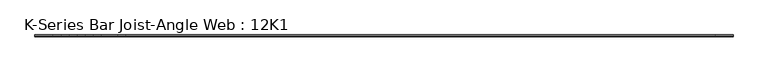
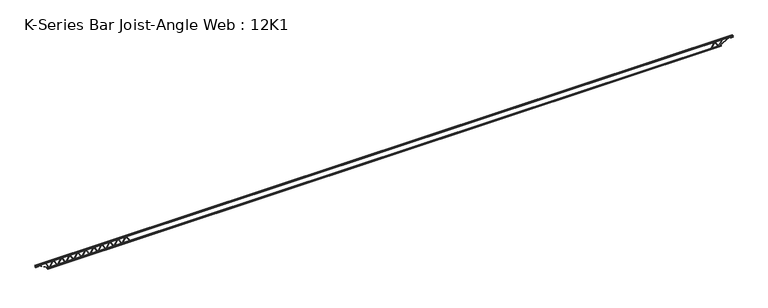
"""IFC4 building model written with IfcOpenShell, lengths in millimetres: beam geometry, K-Series Bar Joist-Angle Web : 12K1."""

from ifc_helpers import new_model, si_unit, frame, origin, place, context, project, spatial, polyline, outline, extrude, faceted_brep, source, transform, mapped, element, save


def k_series_bar_joist_angle_web_12k1_92af80a1(model_context):
    return source(origin(), model_context, "Body", "SolidModel", [
        extrude(outline(polyline([(-4.7625, 4.7624999), (-4.7625, 0.0), (-17.4625, 0.0), (-17.4625, 4.7624999), (-4.7625, 4.7624999)])), frame((-11079.3218203, 0.0, -114.3), z_axis=(-0.5031057189221613, 0.0, 0.8642248755895744), x_axis=(0.0, -1.0, 0.0)), (0.0, 0.0, 1.0), 264.5144874),
        extrude(outline(polyline([(-149.225, -11047.1638554), (-130.175, -11047.1638554), (-130.175, -11048.0373664), (149.225, -11210.6891736), (149.225, -11228.8656627), (130.175, -11228.8656627), (130.175, -11221.6421517), (-149.225, -11058.9903444), (-149.225, -11047.1638554)])), frame((0.0, 0.0, 0.0), z_axis=(0.0, 1.0, 0.0), x_axis=(0.0, 0.0, 1.0)), (0.0, 0.0, 1.0), 4.7625),
        faceted_brep([(-11397.8674699, 0.0, -130.175), (-11397.8674699, 0.0, -149.225), (-11397.8674699, -4.7625, -149.225), (-11397.8674699, -4.7625, -130.175), (-11396.9939589, 0.0, -130.175), (-11234.3421517, 0.0, 149.225), (-11216.1656627, 0.0, 149.225), (-11216.1656627, 0.0, 130.175), (-11223.3891736, 0.0, 130.175), (-11386.0409809, 0.0, -149.225), (-11386.0409809, -4.7625, -149.225), (-11365.709505, -4.7625, -114.3), (-11369.8253759, -4.7625, -111.903959), (-11236.7466246, -4.7625, 116.696041), (-11232.6307536, -4.7625, 114.3), (-11223.3891736, -4.7625, 130.175), (-11216.1656627, -4.7625, 130.175), (-11216.1656627, -4.7625, 149.225), (-11234.3421517, -4.7625, 149.225), (-11396.9939589, -4.7625, -130.175), (-11232.6307536, -17.4625, 114.3), (-11365.709505, -17.4625, -114.3), (-11369.8253759, -17.4625, -111.903959), (-11236.7466246, -17.4625, 116.696041)], [[[0, 1, 2, 3]], [[1, 0, 4, 5, 6, 7, 8, 9]], [[2, 1, 9, 10]], [[3, 2, 10, 11, 12, 13, 14, 15, 16, 17, 18, 19]], [[0, 3, 19, 4]], [[9, 8, 15, 14, 20, 21, 11, 10]], [[5, 4, 19, 18]], [[7, 6, 17, 16]], [[8, 7, 16, 15]], [[6, 5, 18, 17]], [[21, 22, 12, 11]], [[20, 14, 13, 23]], [[22, 21, 20, 23]], [[12, 22, 23, 13]]]),
        extrude(outline(polyline([(-4.7625, 4.7625), (-4.7625, 0.0), (-17.4625, 0.0), (-17.4625, 4.7625), (-4.7625, 4.7625)])), frame((-11430.0254348, 0.0, -114.3), z_axis=(-0.5031057189221613, 0.0, 0.8642248755895744), x_axis=(0.0, -1.0, 0.0)), (0.0, 0.0, 1.0), 264.5144874),
        extrude(outline(polyline([(-149.225, -11397.8674699), (-130.175, -11397.8674699), (-130.175, -11398.7409809), (149.225, -11561.3927881), (149.225, -11579.5692771), (130.175, -11579.5692771), (130.175, -11572.3457661), (-149.225, -11409.6939589), (-149.225, -11397.8674699)])), frame((0.0, 0.0, 0.0), z_axis=(0.0, 1.0, 0.0), x_axis=(0.0, 0.0, 1.0)), (0.0, 0.0, 1.0), 4.7625),
        faceted_brep([(-11748.5710843, 0.0, -130.175), (-11748.5710843, 0.0, -149.225), (-11748.5710843, -4.7625, -149.225), (-11748.5710843, -4.7625, -130.175), (-11747.6975733, 0.0, -130.175), (-11585.0457661, 0.0, 149.225), (-11566.8692771, 0.0, 149.225), (-11566.8692771, 0.0, 130.175), (-11574.0927881, 0.0, 130.175), (-11736.7445953, 0.0, -149.225), (-11736.7445953, -4.7625, -149.225), (-11716.4131194, -4.7625, -114.3), (-11720.5289904, -4.7625, -111.903959), (-11587.450239, -4.7625, 116.696041), (-11583.3343681, -4.7625, 114.3), (-11574.0927881, -4.7625, 130.175), (-11566.8692771, -4.7625, 130.175), (-11566.8692771, -4.7625, 149.225), (-11585.0457661, -4.7625, 149.225), (-11747.6975733, -4.7625, -130.175), (-11583.3343681, -17.4625, 114.3), (-11716.4131194, -17.4625, -114.3), (-11720.5289904, -17.4625, -111.903959), (-11587.450239, -17.4625, 116.696041)], [[[0, 1, 2, 3]], [[1, 0, 4, 5, 6, 7, 8, 9]], [[2, 1, 9, 10]], [[3, 2, 10, 11, 12, 13, 14, 15, 16, 17, 18, 19]], [[0, 3, 19, 4]], [[9, 8, 15, 14, 20, 21, 11, 10]], [[5, 4, 19, 18]], [[7, 6, 17, 16]], [[8, 7, 16, 15]], [[6, 5, 18, 17]], [[21, 22, 12, 11]], [[20, 14, 13, 23]], [[22, 21, 20, 23]], [[12, 22, 23, 13]]]),
        extrude(outline(polyline([(-4.7625, 4.7624999), (-4.7625, 0.0), (-17.4625, 0.0), (-17.4625, 4.7624999), (-4.7625, 4.7624999)])), frame((-11780.7290492, 0.0, -114.3), z_axis=(-0.5031057189221613, 0.0, 0.8642248755895744), x_axis=(0.0, -1.0, 0.0)), (0.0, 0.0, 1.0), 264.5144874),
        extrude(outline(polyline([(-149.225, -11748.5710843), (-130.175, -11748.5710843), (-130.175, -11749.4445953), (149.225, -11912.0964026), (149.225, -11930.2728916), (130.175, -11930.2728916), (130.175, -11923.0493806), (-149.225, -11760.3975733), (-149.225, -11748.5710843)])), frame((0.0, 0.0, 0.0), z_axis=(0.0, 1.0, 0.0), x_axis=(0.0, 0.0, 1.0)), (0.0, 0.0, 1.0), 4.7625),
        faceted_brep([(-12099.2746988, 0.0, -130.175), (-12099.2746988, 0.0, -149.225), (-12099.2746988, -4.7625, -149.225), (-12099.2746988, -4.7625, -130.175), (-12098.4011878, 0.0, -130.175), (-11935.7493806, 0.0, 149.225), (-11917.5728916, 0.0, 149.225), (-11917.5728916, 0.0, 130.175), (-11924.7964026, 0.0, 130.175), (-12087.4482098, 0.0, -149.225), (-12087.4482098, -4.7625, -149.225), (-12067.1167339, -4.7625, -114.3), (-12071.2326049, -4.7625, -111.903959), (-11938.1538535, -4.7625, 116.696041), (-11934.0379825, -4.7625, 114.3), (-11924.7964026, -4.7625, 130.175), (-11917.5728916, -4.7625, 130.175), (-11917.5728916, -4.7625, 149.225), (-11935.7493806, -4.7625, 149.225), (-12098.4011878, -4.7625, -130.175), (-11934.0379825, -17.4625, 114.3), (-12067.1167339, -17.4625, -114.3), (-12071.2326049, -17.4625, -111.903959), (-11938.1538535, -17.4625, 116.696041)], [[[0, 1, 2, 3]], [[1, 0, 4, 5, 6, 7, 8, 9]], [[2, 1, 9, 10]], [[3, 2, 10, 11, 12, 13, 14, 15, 16, 17, 18, 19]], [[0, 3, 19, 4]], [[9, 8, 15, 14, 20, 21, 11, 10]], [[5, 4, 19, 18]], [[7, 6, 17, 16]], [[8, 7, 16, 15]], [[6, 5, 18, 17]], [[21, 22, 12, 11]], [[20, 14, 13, 23]], [[22, 21, 20, 23]], [[12, 22, 23, 13]]]),
        extrude(outline(polyline([(-4.7625, 4.7625), (-4.7625, 0.0), (-17.4625, 0.0), (-17.4625, 4.7625), (-4.7625, 4.7625)])), frame((-12131.4326637, 0.0, -114.3), z_axis=(-0.5031057189221613, 0.0, 0.8642248755895744), x_axis=(0.0, -1.0, 0.0)), (0.0, 0.0, 1.0), 264.5144874),
        extrude(outline(polyline([(-149.225, -12099.2746988), (-130.175, -12099.2746988), (-130.175, -12100.1482098), (149.225, -12262.800017), (149.225, -12280.976506), (130.175, -12280.976506), (130.175, -12273.752995), (-149.225, -12111.1011878), (-149.225, -12099.2746988)])), frame((0.0, 0.0, 0.0), z_axis=(0.0, 1.0, 0.0), x_axis=(0.0, 0.0, 1.0)), (0.0, 0.0, 1.0), 4.7625),
        faceted_brep([(-12449.9783133, 0.0, -130.175), (-12449.9783133, 0.0, -149.225), (-12449.9783133, -4.7625, -149.225), (-12449.9783133, -4.7625, -130.175), (-12449.1048023, 0.0, -130.175), (-12286.452995, 0.0, 149.225), (-12268.276506, 0.0, 149.225), (-12268.276506, 0.0, 130.175), (-12275.500017, 0.0, 130.175), (-12438.1518243, 0.0, -149.225), (-12438.1518243, -4.7625, -149.225), (-12417.8203483, -4.7625, -114.3), (-12421.9362193, -4.7625, -111.903959), (-12288.8574679, -4.7625, 116.696041), (-12284.741597, -4.7625, 114.3), (-12275.500017, -4.7625, 130.175), (-12268.276506, -4.7625, 130.175), (-12268.276506, -4.7625, 149.225), (-12286.452995, -4.7625, 149.225), (-12449.1048023, -4.7625, -130.175), (-12284.741597, -17.4625, 114.3), (-12417.8203483, -17.4625, -114.3), (-12421.9362193, -17.4625, -111.903959), (-12288.8574679, -17.4625, 116.696041)], [[[0, 1, 2, 3]], [[1, 0, 4, 5, 6, 7, 8, 9]], [[2, 1, 9, 10]], [[3, 2, 10, 11, 12, 13, 14, 15, 16, 17, 18, 19]], [[0, 3, 19, 4]], [[9, 8, 15, 14, 20, 21, 11, 10]], [[5, 4, 19, 18]], [[7, 6, 17, 16]], [[8, 7, 16, 15]], [[6, 5, 18, 17]], [[21, 22, 12, 11]], [[20, 14, 13, 23]], [[22, 21, 20, 23]], [[12, 22, 23, 13]]]),
        extrude(outline(polyline([(-4.7625, 4.7625), (-4.7625, 0.0), (-17.4625, 0.0), (-17.4625, 4.7625), (-4.7625, 4.7625)])), frame((-12482.1362782, 0.0, -114.3), z_axis=(-0.5031057189221613, 0.0, 0.8642248755895744), x_axis=(0.0, -1.0, 0.0)), (0.0, 0.0, 1.0), 264.5144874),
        extrude(outline(polyline([(-149.225, -12449.9783133), (-130.175, -12449.9783133), (-130.175, -12450.8518243), (149.225, -12613.5036315), (149.225, -12631.6801205), (130.175, -12631.6801205), (130.175, -12624.4566095), (-149.225, -12461.8048023), (-149.225, -12449.9783133)])), frame((0.0, 0.0, 0.0), z_axis=(0.0, 1.0, 0.0), x_axis=(0.0, 0.0, 1.0)), (0.0, 0.0, 1.0), 4.7625),
        faceted_brep([(-12800.6819277, 0.0, -130.175), (-12800.6819277, 0.0, -149.225), (-12800.6819277, -4.7625, -149.225), (-12800.6819277, -4.7625, -130.175), (-12799.8084167, 0.0, -130.175), (-12637.1566095, 0.0, 149.225), (-12618.9801205, 0.0, 149.225), (-12618.9801205, 0.0, 130.175), (-12626.2036315, 0.0, 130.175), (-12788.8554387, 0.0, -149.225), (-12788.8554387, -4.7625, -149.225), (-12768.5239628, -4.7625, -114.3), (-12772.6398338, -4.7625, -111.903959), (-12639.5610824, -4.7625, 116.696041), (-12635.4452114, -4.7625, 114.3), (-12626.2036315, -4.7625, 130.175), (-12618.9801205, -4.7625, 130.175), (-12618.9801205, -4.7625, 149.225), (-12637.1566095, -4.7625, 149.225), (-12799.8084167, -4.7625, -130.175), (-12635.4452114, -17.4625, 114.3), (-12768.5239628, -17.4625, -114.3), (-12772.6398338, -17.4625, -111.903959), (-12639.5610824, -17.4625, 116.696041)], [[[0, 1, 2, 3]], [[1, 0, 4, 5, 6, 7, 8, 9]], [[2, 1, 9, 10]], [[3, 2, 10, 11, 12, 13, 14, 15, 16, 17, 18, 19]], [[0, 3, 19, 4]], [[9, 8, 15, 14, 20, 21, 11, 10]], [[5, 4, 19, 18]], [[7, 6, 17, 16]], [[8, 7, 16, 15]], [[6, 5, 18, 17]], [[21, 22, 12, 11]], [[20, 14, 13, 23]], [[22, 21, 20, 23]], [[12, 22, 23, 13]]]),
        extrude(outline(polyline([(-4.7625, 4.7625), (-4.7625, 0.0), (-17.4625, 0.0), (-17.4625, 4.7625), (-4.7625, 4.7625)])), frame((-12832.8398926, 0.0, -114.3), z_axis=(-0.5031057189221613, 0.0, 0.8642248755895744), x_axis=(0.0, -1.0, 0.0)), (0.0, 0.0, 1.0), 264.5144874),
        extrude(outline(polyline([(-149.225, -12800.6819277), (-130.175, -12800.6819277), (-130.175, -12801.5554387), (149.225, -12964.2072459), (149.225, -12982.3837349), (130.175, -12982.3837349), (130.175, -12975.1602239), (-149.225, -12812.5084167), (-149.225, -12800.6819277)])), frame((0.0, 0.0, 0.0), z_axis=(0.0, 1.0, 0.0), x_axis=(0.0, 0.0, 1.0)), (0.0, 0.0, 1.0), 4.7625),
        faceted_brep([(-13151.3855422, 0.0, -130.175), (-13151.3855422, 0.0, -149.225), (-13151.3855422, -4.7625, -149.225), (-13151.3855422, -4.7625, -130.175), (-13150.5120312, 0.0, -130.175), (-12987.8602239, 0.0, 149.225), (-12969.6837349, 0.0, 149.225), (-12969.6837349, 0.0, 130.175), (-12976.9072459, 0.0, 130.175), (-13139.5590532, 0.0, -149.225), (-13139.5590532, -4.7625, -149.225), (-13119.2275773, -4.7625, -114.3), (-13123.3434482, -4.7625, -111.903959), (-12990.2646969, -4.7625, 116.696041), (-12986.1488259, -4.7625, 114.3), (-12976.9072459, -4.7625, 130.175), (-12969.6837349, -4.7625, 130.175), (-12969.6837349, -4.7625, 149.225), (-12987.8602239, -4.7625, 149.225), (-13150.5120312, -4.7625, -130.175), (-12986.1488259, -17.4625, 114.3), (-13119.2275773, -17.4625, -114.3), (-13123.3434482, -17.4625, -111.903959), (-12990.2646969, -17.4625, 116.696041)], [[[0, 1, 2, 3]], [[1, 0, 4, 5, 6, 7, 8, 9]], [[2, 1, 9, 10]], [[3, 2, 10, 11, 12, 13, 14, 15, 16, 17, 18, 19]], [[0, 3, 19, 4]], [[9, 8, 15, 14, 20, 21, 11, 10]], [[5, 4, 19, 18]], [[7, 6, 17, 16]], [[8, 7, 16, 15]], [[6, 5, 18, 17]], [[21, 22, 12, 11]], [[20, 14, 13, 23]], [[22, 21, 20, 23]], [[12, 22, 23, 13]]]),
        extrude(outline(polyline([(-4.7625, 4.7625), (-4.7625, 0.0), (-17.4625, 0.0), (-17.4625, 4.7625), (-4.7625, 4.7625)])), frame((-13183.5435071, 0.0, -114.3), z_axis=(-0.5031057189221613, 0.0, 0.8642248755895744), x_axis=(0.0, -1.0, 0.0)), (0.0, 0.0, 1.0), 264.5144874),
        extrude(outline(polyline([(-149.225, -13151.3855422), (-130.175, -13151.3855422), (-130.175, -13152.2590532), (149.225, -13314.9108604), (149.225, -13333.0873494), (130.175, -13333.0873494), (130.175, -13325.8638384), (-149.225, -13163.2120312), (-149.225, -13151.3855422)])), frame((0.0, 0.0, 0.0), z_axis=(0.0, 1.0, 0.0), x_axis=(0.0, 0.0, 1.0)), (0.0, 0.0, 1.0), 4.7625),
        faceted_brep([(-13502.0891566, 0.0, -130.175), (-13502.0891566, 0.0, -149.225), (-13502.0891566, -4.7625, -149.225), (-13502.0891566, -4.7625, -130.175), (-13501.2156456, 0.0, -130.175), (-13338.5638384, 0.0, 149.225), (-13320.3873494, 0.0, 149.225), (-13320.3873494, 0.0, 130.175), (-13327.6108604, 0.0, 130.175), (-13490.2626676, 0.0, -149.225), (-13490.2626676, -4.7625, -149.225), (-13469.9311917, -4.7625, -114.3), (-13474.0470627, -4.7625, -111.903959), (-13340.9683113, -4.7625, 116.696041), (-13336.8524404, -4.7625, 114.3), (-13327.6108604, -4.7625, 130.175), (-13320.3873494, -4.7625, 130.175), (-13320.3873494, -4.7625, 149.225), (-13338.5638384, -4.7625, 149.225), (-13501.2156456, -4.7625, -130.175), (-13336.8524404, -17.4625, 114.3), (-13469.9311917, -17.4625, -114.3), (-13474.0470627, -17.4625, -111.903959), (-13340.9683113, -17.4625, 116.696041)], [[[0, 1, 2, 3]], [[1, 0, 4, 5, 6, 7, 8, 9]], [[2, 1, 9, 10]], [[3, 2, 10, 11, 12, 13, 14, 15, 16, 17, 18, 19]], [[0, 3, 19, 4]], [[9, 8, 15, 14, 20, 21, 11, 10]], [[5, 4, 19, 18]], [[7, 6, 17, 16]], [[8, 7, 16, 15]], [[6, 5, 18, 17]], [[21, 22, 12, 11]], [[20, 14, 13, 23]], [[22, 21, 20, 23]], [[12, 22, 23, 13]]]),
        extrude(outline(polyline([(-4.7625, 4.7624999), (-4.7625, 0.0), (-17.4625, 0.0), (-17.4625, 4.7624999), (-4.7625, 4.7624999)])), frame((-13534.2471215, 0.0, -114.3), z_axis=(-0.5031057189221613, 0.0, 0.8642248755895744), x_axis=(0.0, -1.0, 0.0)), (0.0, 0.0, 1.0), 264.5144874),
        extrude(outline(polyline([(-149.225, -13502.0891566), (-130.175, -13502.0891566), (-130.175, -13502.9626676), (149.225, -13665.6144749), (149.225, -13683.7909639), (130.175, -13683.7909639), (130.175, -13676.5674529), (-149.225, -13513.9156456), (-149.225, -13502.0891566)])), frame((0.0, 0.0, 0.0), z_axis=(0.0, 1.0, 0.0), x_axis=(0.0, 0.0, 1.0)), (0.0, 0.0, 1.0), 4.7625),
        faceted_brep([(-13852.7927711, 0.0, -130.175), (-13852.7927711, 0.0, -149.225), (-13852.7927711, -4.7625, -149.225), (-13852.7927711, -4.7625, -130.175), (-13851.9192601, 0.0, -130.175), (-13689.2674529, 0.0, 149.225), (-13671.0909639, 0.0, 149.225), (-13671.0909639, 0.0, 130.175), (-13678.3144749, 0.0, 130.175), (-13840.9662821, 0.0, -149.225), (-13840.9662821, -4.7625, -149.225), (-13820.6348062, -4.7625, -114.3), (-13824.7506771, -4.7625, -111.903959), (-13691.6719258, -4.7625, 116.696041), (-13687.5560548, -4.7625, 114.3), (-13678.3144749, -4.7625, 130.175), (-13671.0909639, -4.7625, 130.175), (-13671.0909639, -4.7625, 149.225), (-13689.2674529, -4.7625, 149.225), (-13851.9192601, -4.7625, -130.175), (-13687.5560548, -17.4625, 114.3), (-13820.6348062, -17.4625, -114.3), (-13824.7506771, -17.4625, -111.903959), (-13691.6719258, -17.4625, 116.696041)], [[[0, 1, 2, 3]], [[1, 0, 4, 5, 6, 7, 8, 9]], [[2, 1, 9, 10]], [[3, 2, 10, 11, 12, 13, 14, 15, 16, 17, 18, 19]], [[0, 3, 19, 4]], [[9, 8, 15, 14, 20, 21, 11, 10]], [[5, 4, 19, 18]], [[7, 6, 17, 16]], [[8, 7, 16, 15]], [[6, 5, 18, 17]], [[21, 22, 12, 11]], [[20, 14, 13, 23]], [[22, 21, 20, 23]], [[12, 22, 23, 13]]]),
        extrude(outline(polyline([(-4.7625, 4.7625), (-4.7625, 0.0), (-17.4625, 0.0), (-17.4625, 4.7625), (-4.7625, 4.7625)])), frame((-13884.950736, 0.0, -114.3), z_axis=(-0.5031057189221613, 0.0, 0.8642248755895744), x_axis=(0.0, -1.0, 0.0)), (0.0, 0.0, 1.0), 264.5144874),
        extrude(outline(polyline([(-149.225, -13852.7927711), (-130.175, -13852.7927711), (-130.175, -13853.6662821), (149.225, -14016.3180893), (149.225, -14034.4945783), (130.175, -14034.4945783), (130.175, -14027.2710673), (-149.225, -13864.6192601), (-149.225, -13852.7927711)])), frame((0.0, 0.0, 0.0), z_axis=(0.0, 1.0, 0.0), x_axis=(0.0, 0.0, 1.0)), (0.0, 0.0, 1.0), 4.7625),
        faceted_brep([(-14203.4963855, 0.0, -130.175), (-14203.4963855, 0.0, -149.225), (-14203.4963855, -4.7625, -149.225), (-14203.4963855, -4.7625, -130.175), (-14202.6228745, 0.0, -130.175), (-14039.9710673, 0.0, 149.225), (-14021.7945783, 0.0, 149.225), (-14021.7945783, 0.0, 130.175), (-14029.0180893, 0.0, 130.175), (-14191.6698965, 0.0, -149.225), (-14191.6698965, -4.7625, -149.225), (-14171.3384206, -4.7625, -114.3), (-14175.4542916, -4.7625, -111.903959), (-14042.3755402, -4.7625, 116.696041), (-14038.2596693, -4.7625, 114.3), (-14029.0180893, -4.7625, 130.175), (-14021.7945783, -4.7625, 130.175), (-14021.7945783, -4.7625, 149.225), (-14039.9710673, -4.7625, 149.225), (-14202.6228745, -4.7625, -130.175), (-14038.2596693, -17.4625, 114.3), (-14171.3384206, -17.4625, -114.3), (-14175.4542916, -17.4625, -111.903959), (-14042.3755402, -17.4625, 116.696041)], [[[0, 1, 2, 3]], [[1, 0, 4, 5, 6, 7, 8, 9]], [[2, 1, 9, 10]], [[3, 2, 10, 11, 12, 13, 14, 15, 16, 17, 18, 19]], [[0, 3, 19, 4]], [[9, 8, 15, 14, 20, 21, 11, 10]], [[5, 4, 19, 18]], [[7, 6, 17, 16]], [[8, 7, 16, 15]], [[6, 5, 18, 17]], [[21, 22, 12, 11]], [[20, 14, 13, 23]], [[22, 21, 20, 23]], [[12, 22, 23, 13]]]),
        extrude(outline(polyline([(-4.7625, 4.7625), (-4.7625, 0.0), (-17.4625, 0.0), (-17.4625, 4.7625), (-4.7625, 4.7625)])), frame((14522.0420351, 0.0, -114.3), z_axis=(-0.5031057189221613, 0.0, 0.8642248755895744), x_axis=(0.0, -1.0, 0.0)), (0.0, 0.0, 1.0), 264.5144874),
        extrude(outline(polyline([(-149.225, 14554.2), (-130.175, 14554.2), (-130.175, 14553.326489), (149.225, 14390.6746818), (149.225, 14372.4981928), (130.175, 14372.4981928), (130.175, 14379.7217038), (-149.225, 14542.373511), (-149.225, 14554.2)])), frame((0.0, 0.0, 0.0), z_axis=(0.0, 1.0, 0.0), x_axis=(0.0, 0.0, 1.0)), (0.0, 0.0, 1.0), 4.7625),
        faceted_brep([(14203.4963855, 0.0, -130.175), (14203.4963855, 0.0, -149.225), (14203.4963855, -4.7625, -149.225), (14203.4963855, -4.7625, -130.175), (14204.3698965, 0.0, -130.175), (14367.0217038, 0.0, 149.225), (14385.1981928, 0.0, 149.225), (14385.1981928, 0.0, 130.175), (14377.9746818, 0.0, 130.175), (14215.3228745, 0.0, -149.225), (14215.3228745, -4.7625, -149.225), (14235.6543504, -4.7625, -114.3), (14231.5384795, -4.7625, -111.903959), (14364.6172308, -4.7625, 116.696041), (14368.7331018, -4.7625, 114.3), (14377.9746818, -4.7625, 130.175), (14385.1981928, -4.7625, 130.175), (14385.1981928, -4.7625, 149.225), (14367.0217038, -4.7625, 149.225), (14204.3698965, -4.7625, -130.175), (14368.7331018, -17.4625, 114.3), (14235.6543504, -17.4625, -114.3), (14231.5384795, -17.4625, -111.903959), (14364.6172308, -17.4625, 116.696041)], [[[0, 1, 2, 3]], [[1, 0, 4, 5, 6, 7, 8, 9]], [[2, 1, 9, 10]], [[3, 2, 10, 11, 12, 13, 14, 15, 16, 17, 18, 19]], [[0, 3, 19, 4]], [[9, 8, 15, 14, 20, 21, 11, 10]], [[5, 4, 19, 18]], [[7, 6, 17, 16]], [[8, 7, 16, 15]], [[6, 5, 18, 17]], [[21, 22, 12, 11]], [[20, 14, 13, 23]], [[22, 21, 20, 23]], [[12, 22, 23, 13]]]),
        extrude(outline(polyline([(-4.7625, 4.7624999), (-4.7625, 0.0), (-17.4625, 0.0), (-17.4625, 4.7624999), (-4.7625, 4.7624999)])), frame((-14235.6543504, 0.0, -114.3), z_axis=(-0.5031057189221613, 0.0, 0.8642248755895744), x_axis=(0.0, -1.0, 0.0)), (0.0, 0.0, 1.0), 264.5144874),
        extrude(outline(polyline([(-149.225, -14203.4963855), (-130.175, -14203.4963855), (-130.175, -14204.3698965), (149.225, -14367.0217038), (149.225, -14385.1981928), (130.175, -14385.1981928), (130.175, -14377.9746818), (-149.225, -14215.3228745), (-149.225, -14203.4963855)])), frame((0.0, 0.0, 0.0), z_axis=(0.0, 1.0, 0.0), x_axis=(0.0, 0.0, 1.0)), (0.0, 0.0, 1.0), 4.7625),
        faceted_brep([(-14554.2, 0.0, -130.175), (-14554.2, 0.0, -149.225), (-14554.2, -4.7625, -149.225), (-14554.2, -4.7625, -130.175), (-14553.326489, 0.0, -130.175), (-14390.6746818, 0.0, 149.225), (-14372.4981928, 0.0, 149.225), (-14372.4981928, 0.0, 130.175), (-14379.7217038, 0.0, 130.175), (-14542.373511, 0.0, -149.225), (-14542.373511, -4.7625, -149.225), (-14522.0420351, -4.7625, -114.3), (-14526.1579061, -4.7625, -111.903959), (-14393.0791547, -4.7625, 116.696041), (-14388.9632837, -4.7625, 114.3), (-14379.7217038, -4.7625, 130.175), (-14372.4981928, -4.7625, 130.175), (-14372.4981928, -4.7625, 149.225), (-14390.6746818, -4.7625, 149.225), (-14553.326489, -4.7625, -130.175), (-14388.9632837, -17.4625, 114.3), (-14522.0420351, -17.4625, -114.3), (-14526.1579061, -17.4625, -111.903959), (-14393.0791547, -17.4625, 116.696041)], [[[0, 1, 2, 3]], [[1, 0, 4, 5, 6, 7, 8, 9]], [[2, 1, 9, 10]], [[3, 2, 10, 11, 12, 13, 14, 15, 16, 17, 18, 19]], [[0, 3, 19, 4]], [[9, 8, 15, 14, 20, 21, 11, 10]], [[5, 4, 19, 18]], [[7, 6, 17, 16]], [[8, 7, 16, 15]], [[6, 5, 18, 17]], [[21, 22, 12, 11]], [[20, 14, 13, 23]], [[22, 21, 20, 23]], [[12, 22, 23, 13]]]),
        extrude(outline(polyline([(4.7625, 152.4), (36.5125, 152.4), (36.5125, 146.05), (11.1125, 146.05), (11.1125, 120.65), (4.7625, 120.65), (4.7625, 152.4)])), frame((-15163.8, 0.0, 0.0), z_axis=(1.0, 0.0, 0.0), x_axis=(0.0, 1.0, 0.0)), (0.0, 0.0, 1.0), 30327.6),
        extrude(outline(polyline([(-4.7625, 152.4), (-4.7625, 120.65), (-11.1125, 120.65), (-11.1125, 146.05), (-36.5125, 146.05), (-36.5125, 152.4), (-4.7625, 152.4)])), frame((-15163.8, 0.0, 0.0), z_axis=(1.0, 0.0, 0.0), x_axis=(0.0, 1.0, 0.0)), (0.0, 0.0, 1.0), 30327.6),
        extrude(outline(polyline([(-4.7625, 88.9), (-36.5125, 88.9), (-36.5125, 95.25), (-11.1125, 95.25), (-11.1125, 120.65), (-4.7625, 120.65), (-4.7625, 88.9)])), frame((-15163.8, 0.0, 0.0), z_axis=(1.0, 0.0, 0.0), x_axis=(0.0, 1.0, 0.0)), (0.0, 0.0, 1.0), 101.6),
        extrude(outline(polyline([(36.5125, 88.9), (4.7625, 88.9), (4.7625, 120.65), (11.1125, 120.65), (11.1125, 95.25), (36.5125, 95.25), (36.5125, 88.9)])), frame((-15163.8, 0.0, 0.0), z_axis=(1.0, 0.0, 0.0), x_axis=(0.0, 1.0, 0.0)), (0.0, 0.0, 1.0), 101.6),
        extrude(outline(polyline([(4.7625, 88.9), (4.7625, 120.65), (11.1125, 120.65), (11.1125, 95.25), (36.5125, 95.25), (36.5125, 88.9), (4.7625, 88.9)])), frame((15062.2, 0.0, 0.0), z_axis=(1.0, 0.0, 0.0), x_axis=(0.0, 1.0, 0.0)), (0.0, 0.0, 1.0), 101.6),
        extrude(outline(polyline([(-4.7625, 88.9), (-36.5125, 88.9), (-36.5125, 95.25), (-11.1125, 95.25), (-11.1125, 120.65), (-4.7625, 120.65), (-4.7625, 88.9)])), frame((15062.2, 0.0, 0.0), z_axis=(1.0, 0.0, 0.0), x_axis=(0.0, 1.0, 0.0)), (0.0, 0.0, 1.0), 101.6),
        extrude(outline(polyline([(4.7625, -152.4), (4.7625, -120.65), (11.1125, -120.65), (11.1125, -146.05), (36.5125, -146.05), (36.5125, -152.4), (4.7625, -152.4)])), frame((-14655.8, 0.0, 0.0), z_axis=(1.0, 0.0, 0.0), x_axis=(0.0, 1.0, 0.0)), (0.0, 0.0, 1.0), 29311.6),
        extrude(outline(polyline([(-4.7625, -152.4), (-36.5125, -152.4), (-36.5125, -146.05), (-11.1125, -146.05), (-11.1125, -120.65), (-4.7625, -120.65), (-4.7625, -152.4)])), frame((-14655.8, 0.0, 0.0), z_axis=(1.0, 0.0, 0.0), x_axis=(0.0, 1.0, 0.0)), (0.0, 0.0, 1.0), 29311.6),
        extrude(outline(polyline([(4.7625, 4.7625), (4.7625, -4.7625), (-4.7625, -4.7625), (-4.7625, 4.7625), (4.7625, 4.7625)])), frame((14554.2, 0.0, -146.05), z_axis=(0.5493787546315364, 0.0, 0.8355734461790311), x_axis=(0.0, -1.0, 0.0)), (0.0, 0.0, 1.0), 319.1819956),
        extrude(outline(polyline([(4.7625, 4.7625), (4.7625, -4.7625), (-4.7625, -4.7625), (-4.7625, 4.7625), (4.7625, 4.7625)])), frame((-14554.2, 0.0, -146.05), z_axis=(-0.5493787546315138, 0.0, 0.835573446179046), x_axis=(0.0, -1.0, 0.0)), (0.0, 0.0, 1.0), 319.1819956),
        extrude(outline(polyline([(0.0, -9.525), (0.0, 0.0), (573.7533355, 0.0), (573.7533355, -9.525), (0.0, -9.525)])), frame((15064.4137714, -4.7625, 116.4332925), z_axis=(-0.46483389898932176, 0.0, 0.8853979028382578), x_axis=(-0.8853979028382578, 0.0, -0.46483389898932176)), (0.0, 0.0, 1.0), 9.525),
        extrude(outline(polyline([(0.0, -9.525), (0.0, 0.0), (573.7533355, 0.0), (573.7533355, -9.525), (0.0, -9.525)])), frame((-15064.4137714, 4.7625, 116.4332925), z_axis=(0.464833898989329, 0.0, 0.8853979028382541), x_axis=(0.8853979028382541, 0.0, -0.464833898989329)), (0.0, 0.0, 1.0), 9.525),
    ])


if __name__ == "__main__":
    model = new_model("IFC4")
    model_context = context("Model", 3, world=origin())
    ifc_project = project(units=[si_unit("LENGTHUNIT", "METRE", prefix="MILLI")], contexts=[model_context])
    site = spatial("IfcSite", under=ifc_project)
    building = spatial("IfcBuilding", under=site)
    placement = place(None, origin())
    k_series_bar_joist_angle_web_12k1_shape = k_series_bar_joist_angle_web_12k1_92af80a1(model_context)
    element("IfcBeam", 1, ObjectType="K-Series Bar Joist-Angle Web : 12K1", at=placement, inside=building, context=model_context, shape_type="MappedRepresentation", body=[
        mapped(k_series_bar_joist_angle_web_12k1_shape, transform((0.0, 0.0, 0.0), x_axis=(1.0, 0.0, 0.0), y_axis=(0.0, 1.0, 0.0), z_axis=(0.0, 0.0, 1.0))),
    ])
    save(model, "model.ifc")
